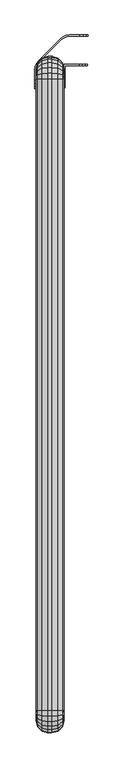
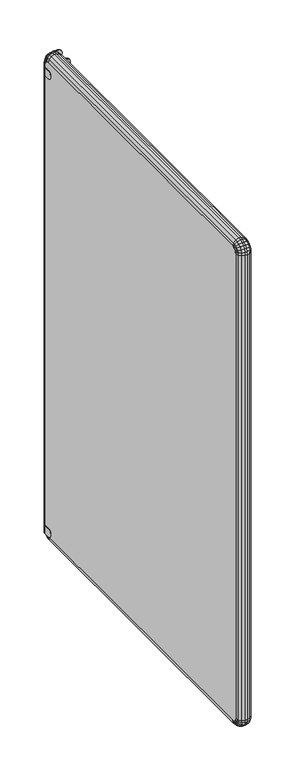
"""IFC4 building model written with IfcOpenShell, lengths in millimetres: furniture geometry."""

from ifc_helpers import new_model, si_unit, origin, place, context, project, spatial, triangles, source, transform, mapped, element, save


def furniture_97da7503(model_context):
    return source(origin(), model_context, "Body", "Tessellation", [
        triangles([(730.399264, 5672.6846492, 1774.9999409), (730.399264, 5645.9348285, 1745.0000278), (730.399264, 5645.9348285, 1774.9999409), (730.399264, 5631.3107212, 1763.3380074), (730.399264, 5634.2076374, 1769.3520298), (730.399264, 5672.6846492, 1745.0000278), (730.399264, 5639.4267955, 1746.4849663), (730.399264, 5634.2076374, 1750.6479389), (730.399264, 5631.3107212, 1756.6619614), (730.399264, 5639.4267955, 1773.5150024), (757.14923, 5670.6847713, 1774.9999409), (757.14923, 5672.6846492, 1774.9999409), (732.3992873, 5670.6847713, 1774.9999409), (732.3992873, 5645.9348285, 1774.9999409), (757.14923, 5672.6846492, 1745.0000278), (771.7731921, 5672.6846492, 1763.3380074), (768.8762759, 5672.6846492, 1769.3520298), (763.657263, 5672.6846492, 1773.5150024), (771.7731921, 5672.6846492, 1756.6619614), (768.8762759, 5672.6846492, 1750.6479389), (763.657263, 5672.6846492, 1746.4849663), (757.14923, 5670.6847713, 1745.0000278), (771.7731921, 5670.6847713, 1763.3380074), (768.8762759, 5670.6847713, 1769.3520298), (732.3992873, 5670.6847713, 1745.0000278), (763.657263, 5670.6847713, 1746.4849663), (768.8762759, 5670.6847713, 1750.6479389), (771.7731921, 5670.6847713, 1756.6619614), (763.657263, 5670.6847713, 1773.5150024), (732.3992873, 5645.9348285, 1745.0000278), (732.3992873, 5631.3107212, 1763.3380074), (732.3992873, 5634.2076374, 1769.3520298), (732.3992873, 5639.4267955, 1773.5150024), (732.3992873, 5631.3107212, 1756.6619614), (732.3992873, 5634.2076374, 1750.6479389), (732.3992873, 5639.4267955, 1746.4849663), (730.399264, 5672.6846492, 80.0000042), (730.399264, 5645.9348285, 50.0000004), (730.399264, 5645.9348285, 80.0000042), (730.399264, 5631.3107212, 68.3379981), (730.399264, 5634.2076374, 74.3519978), (730.399264, 5672.6846492, 50.0000004), (730.399264, 5639.4267955, 51.4849979), (730.399264, 5634.2076374, 55.6479977), (730.399264, 5631.3107212, 61.662002), (730.399264, 5639.4267955, 78.5150022), (757.14923, 5670.6847713, 80.0000042), (757.14923, 5672.6846492, 80.0000042), (732.3992873, 5670.6847713, 80.0000042), (732.3992873, 5645.9348285, 80.0000042), (757.14923, 5672.6846492, 50.0000004), (771.7731921, 5672.6846492, 68.3379981), (768.8762759, 5672.6846492, 74.3519978), (763.657263, 5672.6846492, 78.5150022), (771.7731921, 5672.6846492, 61.662002), (768.8762759, 5672.6846492, 55.6479977), (763.657263, 5672.6846492, 51.4849979), (757.14923, 5670.6847713, 50.0000004), (771.7731921, 5670.6847713, 68.3379981), (768.8762759, 5670.6847713, 74.3519978), (732.3992873, 5670.6847713, 50.0000004), (763.657263, 5670.6847713, 51.4849979), (768.8762759, 5670.6847713, 55.6479977), (771.7731921, 5670.6847713, 61.662002), (763.657263, 5670.6847713, 78.5150022), (732.3992873, 5645.9348285, 50.0000004), (732.3992873, 5631.3107212, 68.3379981), (732.3992873, 5634.2076374, 74.3519978), (732.3992873, 5639.4267955, 78.5150022), (732.3992873, 5631.3107212, 61.662002), (732.3992873, 5634.2076374, 55.6479977), (732.3992873, 5639.4267955, 51.4849979), (728.3332564, 5721.3357494, 50.0000004), (729.1612582, 5719.3355808, 50.0000004), (723.1552294, 5717.3627361, 50.0000004), (723.9842486, 5715.3628582, 50.0000004), (685.7213225, 5679.9286838, 50.0000004), (687.7212004, 5679.0996647, 50.0000004), (683.7481871, 5673.9226551, 50.0000004), (735.191268, 5721.8328121, 50.0000004), (734.3622488, 5723.83269, 50.0000004), (740.8332201, 5724.6846729, 50.0000004), (741.6612219, 5722.684795, 50.0000004), (758.5472552, 5724.6846729, 50.0000004), (758.5472552, 5722.684795, 50.0000004), (681.2512465, 5667.8927906, 50.0000004), (679.2512232, 5668.7218097, 50.0000004), (681.7483092, 5674.7508022, 50.0000004), (678.3992403, 5662.2506931, 50.0000004), (680.3992636, 5661.4228367, 50.0000004), (678.3992403, 5644.5366581, 50.0000004), (680.3992636, 5644.5366581, 50.0000004), (740.8332201, 5724.6846729, 80.0000042), (734.3622488, 5723.83269, 80.0000042), (723.1552294, 5717.3627361, 80.0000042), (728.3332564, 5721.3357494, 80.0000042), (773.1712899, 5724.6846729, 61.662002), (770.2753184, 5724.6846729, 55.6479977), (773.1712899, 5724.6846729, 68.3379981), (758.5472552, 5724.6846729, 80.0000042), (770.2753184, 5724.6846729, 74.3519978), (765.0552882, 5724.6846729, 78.5150022), (765.0552882, 5724.6846729, 51.4849979), (765.0552882, 5722.684795, 51.4849979), (770.2753184, 5722.684795, 55.6479977), (773.1712899, 5722.684795, 61.662002), (773.1712899, 5722.684795, 68.3379981), (770.2753184, 5722.684795, 74.3519978), (765.0552882, 5722.684795, 78.5150022), (758.5472552, 5722.684795, 80.0000042), (741.6612219, 5722.684795, 80.0000042), (723.9842486, 5715.3628582, 80.0000042), (729.1612582, 5719.3355808, 80.0000042), (735.191268, 5721.8328121, 80.0000042), (687.7212004, 5679.0996647, 80.0000042), (680.3992636, 5661.4228367, 80.0000042), (681.2512465, 5667.8927906, 80.0000042), (683.7481871, 5673.9226551, 80.0000042), (680.3992636, 5629.9128414, 61.662002), (680.3992636, 5632.8097576, 55.6479977), (680.3992636, 5629.9128414, 68.3379981), (680.3992636, 5644.5366581, 80.0000042), (680.3992636, 5632.8097576, 74.3519978), (680.3992636, 5638.0286251, 78.5150022), (680.3992636, 5638.0286251, 51.4849979), (678.3992403, 5638.0286251, 51.4849979), (678.3992403, 5632.8097576, 55.6479977), (678.3992403, 5629.9128414, 61.662002), (678.3992403, 5629.9128414, 68.3379981), (678.3992403, 5632.8097576, 74.3519978), (678.3992403, 5638.0286251, 78.5150022), (678.3992403, 5644.5366581, 80.0000042), (678.3992403, 5662.2506931, 80.0000042), (685.7213225, 5679.9286838, 80.0000042), (681.7483092, 5674.7508022, 80.0000042), (679.2512232, 5668.7218097, 80.0000042), (728.3332564, 5721.3357494, 1745.0000278), (729.1612582, 5719.3355808, 1745.0000278), (723.1552294, 5717.3627361, 1745.0000278), (723.9842486, 5715.3628582, 1745.0000278), (685.7213225, 5679.9286838, 1745.0000278), (687.7212004, 5679.0996647, 1745.0000278), (683.7481871, 5673.9226551, 1745.0000278), (735.191268, 5721.8328121, 1745.0000278), (734.3622488, 5723.83269, 1745.0000278), (740.8332201, 5724.6846729, 1745.0000278), (741.6612219, 5722.684795, 1745.0000278), (758.5472552, 5724.6846729, 1745.0000278), (758.5472552, 5722.684795, 1745.0000278), (681.2512465, 5667.8927906, 1745.0000278), (679.2512232, 5668.7218097, 1745.0000278), (681.7483092, 5674.7508022, 1745.0000278), (678.3992403, 5662.2506931, 1745.0000278), (680.3992636, 5661.4228367, 1745.0000278), (678.3992403, 5644.5366581, 1745.0000278), (680.3992636, 5644.5366581, 1745.0000278), (740.8332201, 5724.6846729, 1774.9999409), (734.3622488, 5723.83269, 1774.9999409), (723.1552294, 5717.3627361, 1774.9999409), (728.3332564, 5721.3357494, 1774.9999409), (773.1712899, 5724.6846729, 1756.6619614), (770.2753184, 5724.6846729, 1750.6479389), (773.1712899, 5724.6846729, 1763.3380074), (758.5472552, 5724.6846729, 1774.9999409), (770.2753184, 5724.6846729, 1769.3520298), (765.0552882, 5724.6846729, 1773.5150024), (765.0552882, 5724.6846729, 1746.4849663), (765.0552882, 5722.684795, 1746.4849663), (770.2753184, 5722.684795, 1750.6479389), (773.1712899, 5722.684795, 1756.6619614), (773.1712899, 5722.684795, 1763.3380074), (770.2753184, 5722.684795, 1769.3520298), (765.0552882, 5722.684795, 1773.5150024), (758.5472552, 5722.684795, 1774.9999409), (741.6612219, 5722.684795, 1774.9999409), (723.9842486, 5715.3628582, 1774.9999409), (729.1612582, 5719.3355808, 1774.9999409), (735.191268, 5721.8328121, 1774.9999409), (687.7212004, 5679.0996647, 1774.9999409), (680.3992636, 5661.4228367, 1774.9999409), (681.2512465, 5667.8927906, 1774.9999409), (683.7481871, 5673.9226551, 1774.9999409), (680.3992636, 5629.9128414, 1756.6619614), (680.3992636, 5632.8097576, 1750.6479389), (680.3992636, 5629.9128414, 1763.3380074), (680.3992636, 5644.5366581, 1774.9999409), (680.3992636, 5632.8097576, 1769.3520298), (680.3992636, 5638.0286251, 1773.5150024), (680.3992636, 5638.0286251, 1746.4849663), (678.3992403, 5638.0286251, 1746.4849663), (678.3992403, 5632.8097576, 1750.6479389), (678.3992403, 5629.9128414, 1756.6619614), (678.3992403, 5629.9128414, 1763.3380074), (678.3992403, 5632.8097576, 1769.3520298), (678.3992403, 5638.0286251, 1773.5150024), (678.3992403, 5644.5366581, 1774.9999409), (678.3992403, 5662.2506931, 1774.9999409), (685.7213225, 5679.9286838, 1774.9999409), (681.7483092, 5674.7508022, 1774.9999409), (679.2512232, 5668.7218097, 1774.9999409)], [[1, 2, 3], [3, 2, 4], [3, 4, 5], [1, 6, 2], [2, 7, 8], [2, 8, 9], [2, 9, 4], [5, 10, 3], [11, 12, 13], [1, 13, 12], [3, 13, 1], [3, 14, 13], [6, 1, 15], [15, 1, 12], [15, 12, 16], [16, 12, 17], [17, 12, 18], [16, 19, 15], [15, 19, 20], [15, 20, 21], [13, 22, 11], [11, 22, 23], [11, 23, 24], [13, 25, 22], [22, 26, 27], [22, 27, 28], [22, 28, 23], [24, 29, 11], [25, 13, 30], [30, 13, 14], [30, 14, 31], [31, 14, 32], [32, 14, 33], [31, 34, 30], [30, 34, 35], [30, 35, 36], [15, 21, 22], [22, 21, 26], [26, 21, 20], [26, 20, 27], [27, 20, 19], [27, 19, 28], [28, 19, 16], [28, 16, 23], [23, 16, 17], [23, 17, 24], [24, 17, 18], [24, 18, 29], [29, 18, 11], [11, 18, 12], [30, 36, 2], [2, 36, 7], [7, 36, 35], [7, 35, 8], [8, 35, 34], [8, 34, 9], [9, 34, 31], [9, 31, 4], [4, 31, 32], [4, 32, 5], [5, 32, 33], [5, 33, 10], [10, 33, 3], [3, 33, 14], [2, 6, 25], [15, 25, 6], [25, 15, 22], [25, 30, 2], [37, 38, 39], [39, 38, 40], [39, 40, 41], [37, 42, 38], [38, 43, 44], [38, 44, 45], [38, 45, 40], [41, 46, 39], [47, 48, 49], [37, 49, 48], [39, 49, 37], [39, 50, 49], [42, 37, 51], [51, 37, 48], [51, 48, 52], [52, 48, 53], [53, 48, 54], [52, 55, 51], [51, 55, 56], [51, 56, 57], [49, 58, 47], [47, 58, 59], [47, 59, 60], [49, 61, 58], [58, 62, 63], [58, 63, 64], [58, 64, 59], [60, 65, 47], [61, 49, 66], [66, 49, 50], [66, 50, 67], [67, 50, 68], [68, 50, 69], [67, 70, 66], [66, 70, 71], [66, 71, 72], [51, 57, 58], [58, 57, 62], [62, 57, 56], [62, 56, 63], [63, 56, 55], [63, 55, 64], [64, 55, 52], [64, 52, 59], [59, 52, 53], [59, 53, 60], [60, 53, 54], [60, 54, 65], [65, 54, 47], [47, 54, 48], [66, 72, 38], [38, 72, 43], [43, 72, 71], [43, 71, 44], [44, 71, 70], [44, 70, 45], [45, 70, 67], [45, 67, 40], [40, 67, 68], [40, 68, 41], [41, 68, 69], [41, 69, 46], [46, 69, 39], [39, 69, 50], [38, 42, 61], [51, 61, 42], [61, 51, 58], [61, 66, 38], [73, 74, 75], [75, 74, 76], [75, 76, 77], [77, 76, 78], [77, 78, 79], [74, 73, 80], [80, 73, 81], [80, 81, 82], [80, 82, 83], [84, 83, 82], [83, 84, 85], [86, 87, 79], [79, 87, 88], [79, 88, 77], [87, 86, 89], [89, 86, 90], [89, 90, 91], [91, 90, 92], [93, 82, 94], [94, 82, 81], [94, 81, 73], [75, 95, 73], [73, 95, 96], [73, 96, 94], [82, 93, 84], [84, 93, 97], [84, 97, 98], [97, 93, 99], [99, 93, 100], [99, 100, 101], [101, 100, 102], [98, 103, 84], [85, 84, 104], [104, 84, 103], [104, 103, 98], [104, 98, 105], [105, 98, 97], [105, 97, 106], [106, 97, 99], [106, 99, 107], [107, 99, 101], [107, 101, 108], [108, 101, 102], [108, 102, 109], [109, 102, 100], [109, 100, 110], [83, 85, 111], [111, 85, 110], [110, 85, 109], [109, 85, 104], [109, 104, 105], [105, 106, 109], [109, 106, 107], [109, 107, 108], [112, 76, 113], [113, 76, 74], [113, 74, 80], [83, 111, 80], [80, 111, 114], [80, 114, 113], [78, 76, 115], [115, 76, 112], [116, 90, 117], [117, 90, 86], [117, 86, 79], [78, 115, 79], [79, 115, 118], [79, 118, 117], [90, 116, 92], [92, 116, 119], [92, 119, 120], [119, 116, 121], [121, 116, 122], [121, 122, 123], [123, 122, 124], [120, 125, 92], [91, 92, 126], [126, 92, 125], [126, 125, 120], [126, 120, 127], [127, 120, 119], [127, 119, 128], [128, 119, 121], [128, 121, 129], [129, 121, 123], [129, 123, 130], [130, 123, 124], [130, 124, 131], [131, 124, 122], [131, 122, 132], [89, 91, 133], [133, 91, 132], [132, 91, 131], [131, 91, 126], [131, 126, 127], [127, 128, 131], [131, 128, 129], [131, 129, 130], [134, 77, 135], [135, 77, 88], [135, 88, 87], [89, 133, 87], [87, 133, 136], [87, 136, 135], [75, 77, 95], [95, 77, 134], [94, 114, 93], [93, 114, 111], [93, 111, 100], [100, 111, 110], [114, 94, 96], [114, 96, 113], [113, 96, 95], [113, 95, 112], [134, 112, 95], [112, 134, 115], [115, 134, 118], [118, 134, 135], [118, 135, 136], [118, 136, 117], [117, 136, 133], [117, 133, 116], [132, 116, 133], [116, 132, 122], [137, 138, 139], [139, 138, 140], [139, 140, 141], [141, 140, 142], [141, 142, 143], [138, 137, 144], [144, 137, 145], [144, 145, 146], [144, 146, 147], [148, 147, 146], [147, 148, 149], [150, 151, 143], [143, 151, 152], [143, 152, 141], [151, 150, 153], [153, 150, 154], [153, 154, 155], [155, 154, 156], [157, 146, 158], [158, 146, 145], [158, 145, 137], [139, 159, 137], [137, 159, 160], [137, 160, 158], [146, 157, 148], [148, 157, 161], [148, 161, 162], [161, 157, 163], [163, 157, 164], [163, 164, 165], [165, 164, 166], [162, 167, 148], [149, 148, 168], [168, 148, 167], [168, 167, 162], [168, 162, 169], [169, 162, 161], [169, 161, 170], [170, 161, 163], [170, 163, 171], [171, 163, 165], [171, 165, 172], [172, 165, 166], [172, 166, 173], [173, 166, 164], [173, 164, 174], [147, 149, 175], [175, 149, 174], [174, 149, 173], [173, 149, 168], [173, 168, 169], [169, 170, 173], [173, 170, 171], [173, 171, 172], [176, 140, 177], [177, 140, 138], [177, 138, 144], [147, 175, 144], [144, 175, 178], [144, 178, 177], [142, 140, 179], [179, 140, 176], [180, 154, 181], [181, 154, 150], [181, 150, 143], [142, 179, 143], [143, 179, 182], [143, 182, 181], [154, 180, 156], [156, 180, 183], [156, 183, 184], [183, 180, 185], [185, 180, 186], [185, 186, 187], [187, 186, 188], [184, 189, 156], [155, 156, 190], [190, 156, 189], [190, 189, 184], [190, 184, 191], [191, 184, 183], [191, 183, 192], [192, 183, 185], [192, 185, 193], [193, 185, 187], [193, 187, 194], [194, 187, 188], [194, 188, 195], [195, 188, 186], [195, 186, 196], [153, 155, 197], [197, 155, 196], [196, 155, 195], [195, 155, 190], [195, 190, 191], [191, 192, 195], [195, 192, 193], [195, 193, 194], [198, 141, 199], [199, 141, 152], [199, 152, 151], [153, 197, 151], [151, 197, 200], [151, 200, 199], [139, 141, 159], [159, 141, 198], [158, 178, 157], [157, 178, 175], [157, 175, 164], [164, 175, 174], [178, 158, 160], [178, 160, 177], [177, 160, 159], [177, 159, 176], [198, 176, 159], [176, 198, 179], [179, 198, 182], [182, 198, 199], [182, 199, 200], [182, 200, 181], [181, 200, 197], [181, 197, 180], [196, 180, 197], [180, 196, 186]]),
        triangles([(702.3992289, 5686.6367046, 64.9999978), (708.3992987, 5686.6367046, 64.9999978), (702.3992289, 5685.2737064, 54.6470005), (708.3992987, 5685.2737064, 54.6470005), (702.3992289, 5681.2777294, 45.0000013), (708.3992987, 5681.2777294, 45.0000013), (702.3992289, 5674.92085, 36.7160002), (708.3992987, 5674.92085, 36.7160002), (702.3992289, 5666.6367626, 30.3590004), (708.3992987, 5666.6367626, 30.3590004), (702.3992289, 5656.989677, 26.3630007), (708.3992987, 5656.989677, 26.3630007), (702.3992289, 5646.6368206, 25.0000002), (708.3992987, 5646.6368206, 25.0000002), (691.3993189, 5683.6897915, 64.9999978), (691.3993189, 5682.4267872, 55.409999), (691.3993189, 5678.7246875, 46.4739983), (691.3993189, 5672.8366748, 38.7999982), (691.3993189, 5665.1627247, 32.9119991), (691.3993189, 5656.2266422, 29.2099994), (691.3993189, 5646.6368206, 27.9469996), (683.3463221, 5675.6367946, 64.9999978), (683.3463221, 5674.6487735, 57.4940015), (683.3463221, 5671.7518573, 50.5000017), (683.3463221, 5667.1428363, 44.4940002), (683.3463221, 5661.1368076, 39.8850019), (683.3463221, 5654.1427578, 36.9879994), (683.3463221, 5646.6368206, 36.000001), (680.3992636, 5664.636594, 64.9999978), (680.3992636, 5664.0238407, 60.340998), (680.3992636, 5661.4327198, 54.968002), (680.3992636, 5654.4346004, 48.914002), (680.3992636, 5646.6368206, 47.0000018), (727.4522055, 5675.6367946, 64.9999978), (730.399264, 5664.636594, 64.9999978), (727.4522055, 5674.6487735, 57.4940015), (730.399264, 5662.7227573, 57.2019999), (727.4522055, 5671.7518573, 50.5000017), (727.4522055, 5667.1428363, 44.4940002), (730.399264, 5656.6687664, 50.2039986), (727.4522055, 5661.1368076, 39.8850019), (727.4522055, 5654.1427578, 36.9879994), (730.399264, 5646.6937938, 47.0070008), (727.4522055, 5646.6368206, 36.000001), (719.3992087, 5683.6897915, 64.9999978), (719.3992087, 5682.4267872, 55.409999), (719.3992087, 5678.7246875, 46.4739983), (719.3992087, 5672.8366748, 38.7999982), (719.3992087, 5665.1627247, 32.9119991), (719.3992087, 5656.2266422, 29.2099994), (719.3992087, 5646.6368206, 27.9469996), (702.3992289, 5686.6367046, 1785.0000572), (708.3992987, 5686.6367046, 1785.0000572), (691.3993189, 5683.6897915, 1785.0000572), (683.3463221, 5675.6367946, 1785.0000572), (680.3992636, 5664.636594, 1785.0000572), (727.4522055, 5675.6367946, 1785.0000572), (730.399264, 5664.636594, 1785.0000572), (719.3992087, 5683.6897915, 1785.0000572), (702.3992289, 5646.6368206, 1824.9999413), (708.3992987, 5646.6368206, 1824.9999413), (702.3992289, 5656.989677, 1823.6369431), (708.3992987, 5656.989677, 1823.6369431), (702.3992289, 5666.6367626, 1819.640966), (708.3992987, 5666.6367626, 1819.640966), (702.3992289, 5674.92085, 1813.2839413), (708.3992987, 5674.92085, 1813.2839413), (702.3992289, 5681.2777294, 1804.9999992), (708.3992987, 5681.2777294, 1804.9999992), (702.3992289, 5685.2737064, 1795.353059), (708.3992987, 5685.2737064, 1795.353059), (691.3993189, 5646.6368206, 1822.0530281), (691.3993189, 5656.2266422, 1820.7900238), (691.3993189, 5665.1627247, 1817.0889416), (691.3993189, 5672.8366748, 1811.2000568), (691.3993189, 5678.7246875, 1803.5259613), (691.3993189, 5682.4267872, 1794.5900242), (683.3463221, 5646.6368206, 1814.0000313), (683.3463221, 5654.1427578, 1813.0120102), (683.3463221, 5661.1368076, 1810.1149487), (683.3463221, 5667.1428363, 1805.5059277), (683.3463221, 5671.7518573, 1799.5000443), (683.3463221, 5674.6487735, 1792.5059944), (680.3992636, 5646.6368206, 1802.999976), (680.3992636, 5652.4978, 1801.8889973), (680.3992636, 5660.1566349, 1796.6949829), (680.3992636, 5664.0238407, 1789.6589298), (727.4522055, 5646.6368206, 1814.0000313), (730.399264, 5646.6368206, 1802.999976), (727.4522055, 5654.1427578, 1813.0120102), (730.399264, 5654.4346004, 1801.085994), (727.4522055, 5661.1368076, 1810.1149487), (727.4522055, 5667.1428363, 1805.5059277), (730.399264, 5661.4327198, 1795.032003), (727.4522055, 5671.7518573, 1799.5000443), (727.4522055, 5674.6487735, 1792.5059944), (730.399264, 5664.0238407, 1789.6589298), (719.3992087, 5646.6368206, 1822.0530281), (719.3992087, 5656.2266422, 1820.7900238), (719.3992087, 5665.1627247, 1817.0889416), (719.3992087, 5672.8366748, 1811.2000568), (719.3992087, 5678.7246875, 1803.5259613), (719.3992087, 5682.4267872, 1794.5900242), (702.3992289, 4526.6365795, 1824.9999413), (708.3992987, 4526.6365795, 1824.9999413), (691.3993189, 4526.6365795, 1822.0530281), (683.3463221, 4526.6365795, 1814.0000313), (680.3992636, 4526.6365795, 1802.999976), (727.4522055, 4526.6365795, 1814.0000313), (730.399264, 4526.5796062, 1802.9929996), (719.3992087, 4526.6365795, 1822.0530281), (702.3992289, 4486.6366954, 1785.0000572), (708.3992987, 4486.6366954, 1785.0000572), (702.3992289, 4487.9996936, 1795.353059), (708.3992987, 4487.9996936, 1795.353059), (702.3992289, 4491.9956707, 1804.9999992), (708.3992987, 4491.9956707, 1804.9999992), (702.3992289, 4498.3528408, 1813.2839413), (708.3992987, 4498.3528408, 1813.2839413), (702.3992289, 4506.6366375, 1819.640966), (708.3992987, 4506.6366375, 1819.640966), (702.3992289, 4516.283723, 1823.6369431), (708.3992987, 4516.283723, 1823.6369431), (691.3993189, 4489.5847713, 1785.0000572), (691.3993189, 4490.8466129, 1794.5900242), (691.3993189, 4494.5487125, 1803.5259613), (691.3993189, 4500.4367252, 1811.2000568), (691.3993189, 4508.1106754, 1817.0889416), (691.3993189, 4517.0467579, 1820.7900238), (683.3463221, 4497.6366054, 1785.0000572), (683.3463221, 4498.6246265, 1792.5059944), (683.3463221, 4501.5218334, 1799.5000443), (683.3463221, 4506.1308544, 1805.5059277), (683.3463221, 4512.1365925, 1810.1149487), (683.3463221, 4519.1306423, 1813.0120102), (680.3992636, 4508.6368061, 1785.0000572), (680.3992636, 4509.24985, 1789.6589298), (680.3992636, 4511.8406803, 1795.032003), (680.3992636, 4518.8387996, 1801.085994), (727.4522055, 4497.6366054, 1785.0000572), (730.399264, 4508.6368061, 1785.0000572), (727.4522055, 4498.6246265, 1792.5059944), (730.399264, 4510.5506427, 1792.7979824), (727.4522055, 4501.5218334, 1799.5000443), (727.4522055, 4506.1308544, 1805.5059277), (730.399264, 4516.6046337, 1799.7969738), (727.4522055, 4512.1365925, 1810.1149487), (727.4522055, 4519.1306423, 1813.0120102), (719.3992087, 4489.5847713, 1785.0000572), (719.3992087, 4490.8466129, 1794.5900242), (719.3992087, 4494.5487125, 1803.5259613), (719.3992087, 4500.4367252, 1811.2000568), (719.3992087, 4508.1106754, 1817.0889416), (719.3992087, 4517.0467579, 1820.7900238), (702.3992289, 4486.6366954, 64.9999978), (708.3992987, 4486.6366954, 64.9999978), (691.3993189, 4489.5847713, 64.9999978), (683.3463221, 4497.6366054, 64.9999978), (680.3992636, 4508.6368061, 64.9999978), (727.4522055, 4497.6366054, 64.9999978), (730.399264, 4508.6368061, 64.9999978), (719.3992087, 4489.5847713, 64.9999978), (702.3992289, 4526.6365795, 25.0000002), (708.3992987, 4526.6365795, 25.0000002), (702.3992289, 4516.283723, 26.3630007), (708.3992987, 4516.283723, 26.3630007), (702.3992289, 4506.6366375, 30.3590004), (708.3992987, 4506.6366375, 30.3590004), (702.3992289, 4498.3528408, 36.7160002), (708.3992987, 4498.3528408, 36.7160002), (702.3992289, 4491.9956707, 45.0000013), (708.3992987, 4491.9956707, 45.0000013), (702.3992289, 4487.9996936, 54.6470005), (708.3992987, 4487.9996936, 54.6470005), (691.3993189, 4526.6365795, 27.9469996), (691.3993189, 4517.0467579, 29.2099994), (691.3993189, 4508.1106754, 32.9119991), (691.3993189, 4500.4367252, 38.7999982), (691.3993189, 4494.5487125, 46.4739983), (691.3993189, 4490.8466129, 55.409999), (683.3463221, 4526.6365795, 36.000001), (683.3463221, 4519.1306423, 36.9879994), (683.3463221, 4512.1365925, 39.8850019), (683.3463221, 4506.1308544, 44.4940002), (683.3463221, 4501.5218334, 50.5000017), (683.3463221, 4498.6246265, 57.4940015), (680.3992636, 4526.6365795, 47.0000018), (680.3992636, 4521.9778522, 47.6130004), (680.3992636, 4516.6046337, 50.2039986), (680.3992636, 4510.5506427, 57.2019999), (727.4522055, 4526.6365795, 36.000001), (730.399264, 4526.6365795, 47.0000018), (727.4522055, 4519.1306423, 36.9879994), (730.399264, 4518.8387996, 48.914002), (727.4522055, 4512.1365925, 39.8850019), (727.4522055, 4506.1308544, 44.4940002), (730.399264, 4511.8406803, 54.968002), (727.4522055, 4501.5218334, 50.5000017), (727.4522055, 4498.6246265, 57.4940015), (730.399264, 4509.24985, 60.340998), (719.3992087, 4526.6365795, 27.9469996), (719.3992087, 4517.0467579, 29.2099994), (719.3992087, 4508.1106754, 32.9119991), (719.3992087, 4500.4367252, 38.7999982), (719.3992087, 4494.5487125, 46.4739983), (719.3992087, 4490.8466129, 55.409999)], [[1, 2, 3], [3, 2, 4], [3, 4, 5], [5, 4, 6], [5, 6, 7], [7, 6, 8], [7, 8, 9], [9, 8, 10], [9, 10, 11], [11, 10, 12], [11, 12, 13], [13, 12, 14], [16, 15, 1], [16, 1, 3], [17, 16, 3], [17, 3, 5], [18, 17, 5], [18, 5, 7], [19, 18, 7], [19, 7, 9], [20, 19, 9], [20, 9, 11], [21, 20, 11], [21, 11, 13], [23, 22, 15], [23, 15, 16], [24, 23, 16], [24, 16, 17], [25, 24, 17], [25, 17, 18], [26, 25, 18], [26, 18, 19], [27, 26, 19], [27, 19, 20], [28, 27, 20], [28, 20, 21], [30, 29, 22], [30, 22, 23], [31, 30, 23], [31, 23, 24], [31, 24, 25], [31, 25, 32], [32, 25, 26], [32, 26, 27], [32, 27, 33], [33, 27, 28], [34, 35, 36], [36, 35, 37], [36, 37, 38], [38, 37, 39], [39, 37, 40], [39, 40, 41], [41, 40, 42], [42, 40, 43], [42, 43, 44], [45, 34, 46], [46, 34, 36], [46, 36, 47], [47, 36, 38], [47, 38, 48], [48, 38, 39], [48, 39, 49], [49, 39, 41], [49, 41, 50], [50, 41, 42], [50, 42, 51], [51, 42, 44], [2, 45, 4], [4, 45, 46], [4, 46, 6], [6, 46, 47], [6, 47, 8], [8, 47, 48], [8, 48, 10], [10, 48, 49], [10, 49, 12], [12, 49, 50], [12, 50, 14], [14, 50, 51], [52, 53, 1], [1, 53, 2], [54, 52, 15], [15, 52, 1], [55, 54, 22], [22, 54, 15], [56, 55, 29], [29, 55, 22], [57, 58, 34], [34, 58, 35], [59, 57, 45], [45, 57, 34], [53, 59, 2], [2, 59, 45], [60, 61, 62], [62, 61, 63], [62, 63, 64], [64, 63, 65], [64, 65, 66], [66, 65, 67], [66, 67, 68], [68, 67, 69], [68, 69, 70], [70, 69, 71], [70, 71, 52], [52, 71, 53], [73, 72, 60], [73, 60, 62], [74, 73, 62], [74, 62, 64], [75, 74, 64], [75, 64, 66], [76, 75, 66], [76, 66, 68], [77, 76, 68], [77, 68, 70], [54, 77, 70], [54, 70, 52], [79, 78, 72], [79, 72, 73], [80, 79, 73], [80, 73, 74], [81, 80, 74], [81, 74, 75], [82, 81, 75], [82, 75, 76], [83, 82, 76], [83, 76, 77], [55, 83, 77], [55, 77, 54], [85, 84, 78], [85, 78, 79], [85, 79, 80], [85, 80, 86], [86, 80, 81], [86, 81, 82], [86, 82, 87], [87, 82, 83], [56, 87, 83], [56, 83, 55], [88, 89, 90], [90, 89, 91], [90, 91, 92], [92, 91, 93], [93, 91, 94], [93, 94, 95], [95, 94, 96], [96, 94, 97], [96, 97, 57], [57, 97, 58], [98, 88, 99], [99, 88, 90], [99, 90, 100], [100, 90, 92], [100, 92, 101], [101, 92, 93], [101, 93, 102], [102, 93, 95], [102, 95, 103], [103, 95, 96], [103, 96, 59], [59, 96, 57], [61, 98, 63], [63, 98, 99], [63, 99, 65], [65, 99, 100], [65, 100, 67], [67, 100, 101], [67, 101, 69], [69, 101, 102], [69, 102, 71], [71, 102, 103], [71, 103, 53], [53, 103, 59], [104, 105, 60], [60, 105, 61], [106, 104, 72], [72, 104, 60], [107, 106, 78], [78, 106, 72], [108, 107, 84], [84, 107, 78], [88, 109, 110], [88, 110, 89], [111, 109, 98], [98, 109, 88], [105, 111, 61], [61, 111, 98], [112, 113, 114], [114, 113, 115], [114, 115, 116], [116, 115, 117], [116, 117, 118], [118, 117, 119], [118, 119, 120], [120, 119, 121], [120, 121, 122], [122, 121, 123], [122, 123, 104], [104, 123, 105], [125, 124, 112], [125, 112, 114], [126, 125, 114], [126, 114, 116], [127, 126, 116], [127, 116, 118], [128, 127, 118], [128, 118, 120], [129, 128, 120], [129, 120, 122], [106, 129, 122], [106, 122, 104], [131, 130, 124], [131, 124, 125], [132, 131, 125], [132, 125, 126], [133, 132, 126], [133, 126, 127], [134, 133, 127], [134, 127, 128], [135, 134, 128], [135, 128, 129], [107, 135, 129], [107, 129, 106], [137, 136, 130], [137, 130, 131], [138, 137, 131], [138, 131, 132], [138, 132, 133], [138, 133, 139], [139, 133, 134], [139, 134, 135], [139, 135, 108], [108, 135, 107], [140, 141, 142], [142, 141, 143], [142, 143, 144], [144, 143, 145], [145, 143, 146], [145, 146, 147], [147, 146, 148], [148, 146, 110], [148, 110, 109], [149, 140, 150], [150, 140, 142], [150, 142, 151], [151, 142, 144], [151, 144, 152], [152, 144, 145], [152, 145, 153], [153, 145, 147], [153, 147, 154], [154, 147, 148], [154, 148, 111], [111, 148, 109], [113, 149, 115], [115, 149, 150], [115, 150, 117], [117, 150, 151], [117, 151, 119], [119, 151, 152], [119, 152, 121], [121, 152, 153], [121, 153, 123], [123, 153, 154], [123, 154, 105], [105, 154, 111], [155, 156, 112], [112, 156, 113], [157, 155, 124], [124, 155, 112], [158, 157, 130], [130, 157, 124], [159, 158, 136], [136, 158, 130], [160, 161, 140], [140, 161, 141], [162, 160, 149], [149, 160, 140], [156, 162, 113], [113, 162, 149], [163, 164, 165], [165, 164, 166], [165, 166, 167], [167, 166, 168], [167, 168, 169], [169, 168, 170], [169, 170, 171], [171, 170, 172], [171, 172, 173], [173, 172, 174], [173, 174, 155], [155, 174, 156], [176, 175, 163], [176, 163, 165], [177, 176, 165], [177, 165, 167], [178, 177, 167], [178, 167, 169], [179, 178, 169], [179, 169, 171], [180, 179, 171], [180, 171, 173], [157, 180, 173], [157, 173, 155], [182, 181, 175], [182, 175, 176], [183, 182, 176], [183, 176, 177], [184, 183, 177], [184, 177, 178], [185, 184, 178], [185, 178, 179], [186, 185, 179], [186, 179, 180], [158, 186, 180], [158, 180, 157], [188, 187, 181], [188, 181, 182], [189, 188, 182], [189, 182, 183], [189, 183, 184], [189, 184, 190], [190, 184, 185], [190, 185, 186], [190, 186, 159], [159, 186, 158], [191, 192, 193], [193, 192, 194], [193, 194, 195], [195, 194, 196], [196, 194, 197], [196, 197, 198], [198, 197, 199], [199, 197, 200], [199, 200, 160], [160, 200, 161], [201, 191, 202], [202, 191, 193], [202, 193, 203], [203, 193, 195], [203, 195, 204], [204, 195, 196], [204, 196, 205], [205, 196, 198], [205, 198, 206], [206, 198, 199], [206, 199, 162], [162, 199, 160], [164, 201, 166], [166, 201, 202], [166, 202, 168], [168, 202, 203], [168, 203, 170], [170, 203, 204], [170, 204, 172], [172, 204, 205], [172, 205, 174], [174, 205, 206], [174, 206, 156], [156, 206, 162], [13, 14, 163], [163, 14, 164], [21, 13, 175], [175, 13, 163], [28, 21, 181], [181, 21, 175], [33, 28, 187], [187, 28, 181], [187, 108, 33], [33, 108, 84], [33, 84, 29], [29, 84, 56], [56, 84, 87], [87, 84, 86], [86, 84, 85], [187, 188, 159], [187, 159, 136], [187, 136, 108], [108, 136, 139], [139, 136, 138], [138, 136, 137], [188, 189, 159], [159, 189, 190], [29, 30, 33], [33, 30, 31], [31, 32, 33], [43, 40, 37], [43, 37, 35], [43, 35, 58], [43, 58, 89], [89, 58, 97], [89, 97, 94], [89, 94, 91], [43, 89, 192], [192, 89, 110], [192, 110, 161], [161, 110, 141], [141, 110, 146], [141, 146, 143], [161, 200, 197], [161, 197, 194], [161, 194, 192], [191, 44, 43], [191, 43, 192], [51, 44, 201], [201, 44, 191], [14, 51, 164], [164, 51, 201]]),
    ])


if __name__ == "__main__":
    model = new_model("IFC4")
    model_context = context("Model", 3, world=origin())
    ifc_project = project(units=[si_unit("LENGTHUNIT", "METRE", prefix="MILLI")], contexts=[model_context])
    site = spatial("IfcSite", under=ifc_project)
    building = spatial("IfcBuilding", under=site)
    placement = place(None, origin())
    furniture_shape = furniture_97da7503(model_context)
    element("IfcFurniture", 1, at=placement, inside=building, context=model_context, shape_type="MappedRepresentation", body=[
        mapped(furniture_shape, transform((0.0, 0.0, 0.0), x_axis=(1.0, 0.0, 0.0), y_axis=(0.0, 1.0, 0.0), z_axis=(0.0, 0.0, 1.0))),
    ])
    save(model, "model.ifc")
